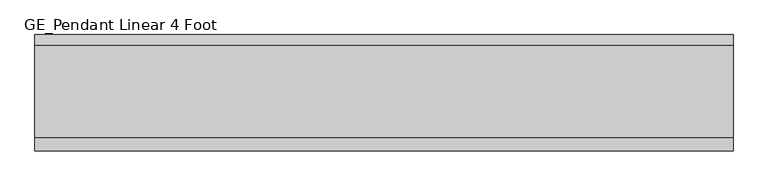
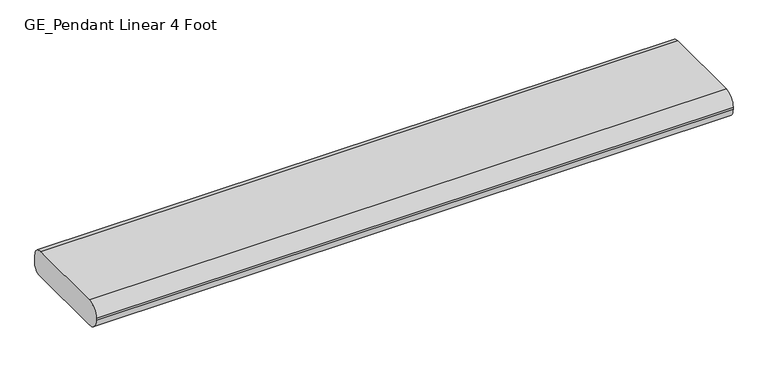
"""IFC4 building model written with IfcOpenShell, lengths in millimetres: light fixture geometry, GE_Pendant Linear 4 Foot."""

from ifc_helpers import new_model, si_unit, point, frame, frame_2d, origin, place, context, project, spatial, polyline, circle_curve, trimmed, segment, composite_curve, outline, extrude, source, transform, mapped, element, save


def ge_pendant_linear_4_foot_44d263c5(model_context):
    return source(origin(), model_context, "Body", "SweptSolid", [
        extrude(outline(composite_curve([segment(trimmed(circle_curve(frame_2d((82.55, 31.75)), 19.05), [point((82.55, 50.8))], [point((101.6, 31.75))], False, "CARTESIAN"), True, "CONTINUOUS"), segment(polyline([(101.6, 31.75), (101.6, 14.6641945)]), True, "CONTINUOUS"), segment(trimmed(circle_curve(frame_2d((86.9358055, 14.6641945)), 14.6641945), [point((101.6, 14.6641945))], [point((86.9358055, 0.0))], False, "CARTESIAN"), True, "CONTINUOUS"), segment(polyline([(86.9358055, 0.0), (-78.1641945, 0.0)]), True, "CONTINUOUS"), segment(trimmed(circle_curve(frame_2d((-78.1641945, 23.4358055)), 23.4358055), [point((-78.1641945, 0.0))], [point((-101.6, 23.4358055))], False, "CARTESIAN"), True, "CONTINUOUS"), segment(polyline([(-101.6, 23.4358055), (-101.6, 27.3641945)]), True, "CONTINUOUS"), segment(trimmed(circle_curve(frame_2d((-78.1641945, 27.3641945)), 23.4358055), [point((-101.6, 27.3641945))], [point((-78.1641945, 50.8))], False, "CARTESIAN"), True, "CONTINUOUS"), segment(polyline([(-78.1641945, 50.8), (82.55, 50.8)]), True, "CONTINUOUS")], self_intersect=False)), frame((-609.6, 0.0, 0.0), z_axis=(1.0, 0.0, 0.0), x_axis=(0.0, 1.0, 0.0)), (0.0, 0.0, 1.0), 1219.2),
    ])


if __name__ == "__main__":
    model = new_model("IFC4")
    model_context = context("Model", 3, world=origin())
    ifc_project = project(units=[si_unit("LENGTHUNIT", "METRE", prefix="MILLI")], contexts=[model_context])
    site = spatial("IfcSite", under=ifc_project)
    building = spatial("IfcBuilding", under=site)
    placement = place(None, origin())
    ge_pendant_linear_4_foot_shape = ge_pendant_linear_4_foot_44d263c5(model_context)
    element("IfcLightFixture", 1, ObjectType="GE_Pendant Linear 4 Foot", at=placement, inside=building, context=model_context, shape_type="MappedRepresentation", body=[
        mapped(ge_pendant_linear_4_foot_shape, transform((0.0, 0.0, 0.0), x_axis=(1.0, 0.0, 0.0), y_axis=(0.0, 1.0, 0.0), z_axis=(0.0, 0.0, 1.0))),
    ])
    save(model, "model.ifc")
